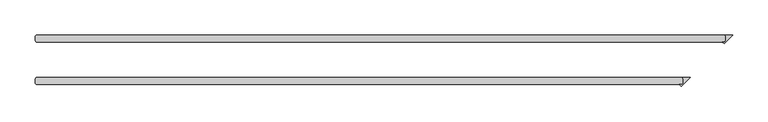
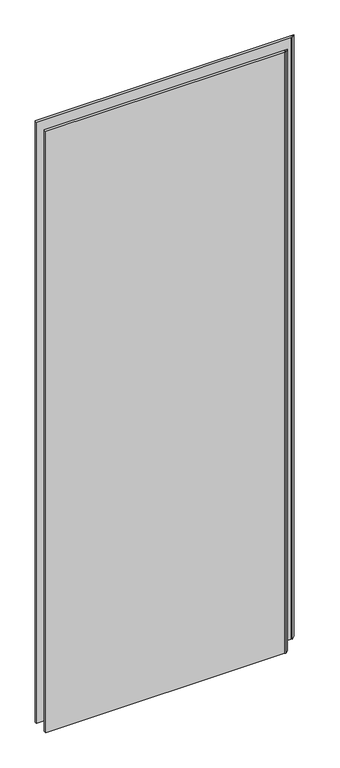
"""IFC4 building model written with IfcOpenShell, lengths in millimetres: plate geometry."""

from ifc_helpers import new_model, si_unit, origin, origin_with_axes, place, context, project, spatial, polyline, outline, extrude, source, transform, mapped, element, save


def plate_8cbab7ea(model_context):
    return source(origin(), model_context, "Body", "SweptSolid", [
        extrude(outline(polyline([(501.253125, 33.3375), (499.665625, 34.925), (510.778125, 34.925), (498.543093, 22.689968), (495.833061, 25.4), (499.665625, 25.4), (501.253125, 26.9875), (501.253125, 33.3375)])), origin_with_axes(), (0.0, 0.0, 1.0), 2417.7625023),
        extrude(outline(polyline([(440.928125, -26.9875), (439.340625, -25.4), (450.453125, -25.4), (438.218093, -37.635032), (435.508061, -34.925), (439.340625, -34.925), (440.928125, -33.3375), (440.928125, -26.9875)])), origin_with_axes(), (0.0, 0.0, 1.0), 2417.7625023),
        extrude(outline(polyline([(439.340625, -25.4), (440.928125, -26.9875), (440.928125, -33.3375), (439.340625, -34.925), (-474.265625, -34.925), (-475.853125, -33.3375), (-475.853125, -26.9875), (-474.265625, -25.4), (439.340625, -25.4)])), origin_with_axes(), (0.0, 0.0, 1.0), 2417.7625023),
        extrude(outline(polyline([(499.665625, 34.925), (501.253125, 33.3375), (501.253125, 26.9875), (499.665625, 25.4), (-474.265625, 25.4), (-475.853125, 26.9875), (-475.853125, 33.3375), (-474.265625, 34.925), (499.665625, 34.925)])), origin_with_axes(), (0.0, 0.0, 1.0), 2417.7625023),
    ])


if __name__ == "__main__":
    model = new_model("IFC4")
    model_context = context("Model", 3, world=origin())
    ifc_project = project(units=[si_unit("LENGTHUNIT", "METRE", prefix="MILLI")], contexts=[model_context])
    site = spatial("IfcSite", under=ifc_project)
    building = spatial("IfcBuilding", under=site)
    placement = place(None, origin())
    plate_shape = plate_8cbab7ea(model_context)
    element("IfcPlate", 1, at=placement, inside=building, context=model_context, shape_type="MappedRepresentation", body=[
        mapped(plate_shape, transform((0.0, 0.0, 0.0), x_axis=(1.0, 0.0, 0.0), y_axis=(0.0, 1.0, 0.0), z_axis=(0.0, 0.0, 1.0))),
    ])
    save(model, "model.ifc")
